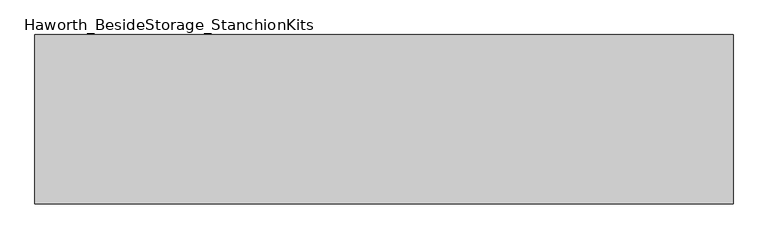
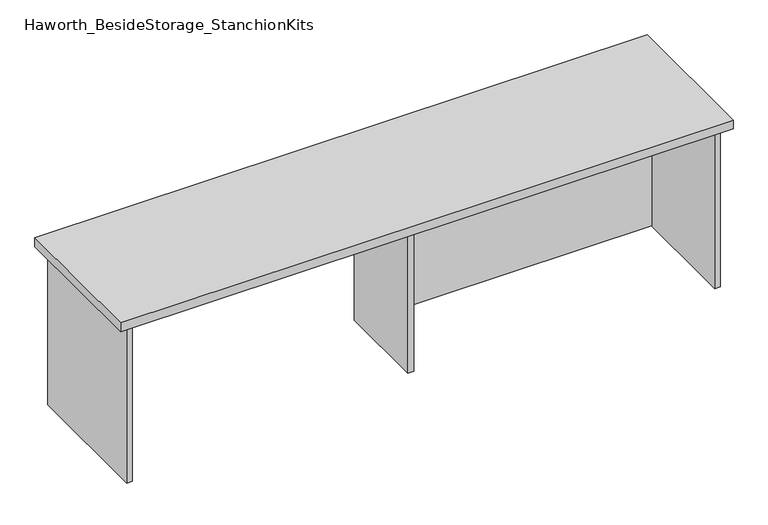
"""IFC4 building model written with IfcOpenShell, lengths in millimetres: furniture geometry, Haworth_BesideStorage_StanchionKits."""

from ifc_helpers import new_model, si_unit, frame, origin, place, context, project, spatial, polyline, outline, extrude, source, transform, mapped, element, save


def haworth_besidestorage_stanchionkits_788c30b9(model_context):
    return source(origin(), model_context, "Body", "SweptSolid", [
        extrude(outline(polyline([(1000.125, 0.0), (1000.125, -406.4), (-676.275, -406.4), (-676.275, 0.0), (1000.125, 0.0)])), frame((0.0, 0.0, 889.0), z_axis=(0.0, 0.0, 1.0), x_axis=(1.0, 0.0, 0.0)), (0.0, 0.0, 1.0), 25.4),
        extrude(outline(polyline([(169.8625, -76.2), (958.85, -76.2), (958.85, -92.075), (169.8625, -92.075), (169.8625, -76.2)])), frame((0.0, 0.0, 431.8), z_axis=(0.0, 0.0, 1.0), x_axis=(1.0, 0.0, 0.0)), (0.0, 0.0, 1.0), 457.2),
        extrude(outline(polyline([(169.8625, -330.2), (153.9875, -330.2), (153.9875, -76.2), (169.8625, -76.2), (169.8625, -330.2)])), frame((0.0, 0.0, 431.8), z_axis=(0.0, 0.0, 1.0), x_axis=(1.0, 0.0, 0.0)), (0.0, 0.0, 1.0), 457.2),
        extrude(outline(polyline([(974.725, -390.525), (958.85, -390.525), (958.85, -15.875), (974.725, -15.875), (974.725, -390.525)])), frame((0.0, 0.0, 431.8), z_axis=(0.0, 0.0, 1.0), x_axis=(1.0, 0.0, 0.0)), (0.0, 0.0, 1.0), 457.2),
        extrude(outline(polyline([(-635.0, -390.525), (-650.875, -390.525), (-650.875, -15.875), (-635.0, -15.875), (-635.0, -390.525)])), frame((0.0, 0.0, 431.8), z_axis=(0.0, 0.0, 1.0), x_axis=(1.0, 0.0, 0.0)), (0.0, 0.0, 1.0), 457.2),
    ])


if __name__ == "__main__":
    model = new_model("IFC4")
    model_context = context("Model", 3, world=origin())
    ifc_project = project(units=[si_unit("LENGTHUNIT", "METRE", prefix="MILLI")], contexts=[model_context])
    site = spatial("IfcSite", under=ifc_project)
    building = spatial("IfcBuilding", under=site)
    placement = place(None, origin())
    haworth_besidestorage_stanchionkits_shape = haworth_besidestorage_stanchionkits_788c30b9(model_context)
    element("IfcFurniture", 1, ObjectType="Haworth_BesideStorage_StanchionKits", at=placement, inside=building, context=model_context, shape_type="MappedRepresentation", body=[
        mapped(haworth_besidestorage_stanchionkits_shape, transform((0.0, 0.0, 0.0), x_axis=(1.0, 0.0, 0.0), y_axis=(0.0, 1.0, 0.0), z_axis=(0.0, 0.0, 1.0))),
    ])
    save(model, "model.ifc")
